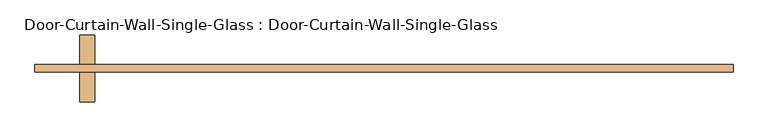
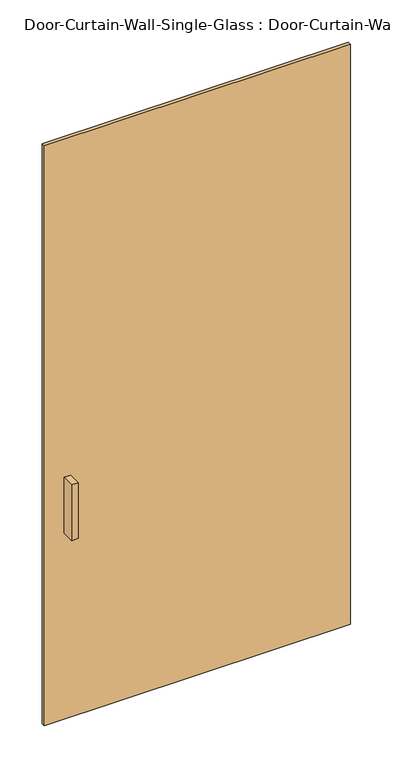
"""IFC4 building model written with IfcOpenShell, lengths in millimetres: door geometry, Door-Curtain-Wall-Single-Glass : Door-Curtain-Wall-Single-Glass."""

from ifc_helpers import new_model, si_unit, frame, origin, origin_with_axes, place, context, project, spatial, polyline, outline, extrude, source, transform, mapped, element, save


def door_curtain_wall_single_glass_door_curtain_wall_single_8edbc01f(model_context):
    return source(origin(), model_context, "Body", "SweptSolid", [
        extrude(outline(polyline([(593.725, -50.8), (-593.725, -50.8), (-593.725, -38.1), (593.725, -38.1), (593.725, -50.8)])), origin_with_axes(), (0.0, 0.0, 1.0), 2374.9),
        extrude(outline(polyline([(-492.125, 12.7), (-492.125, -38.1), (-517.525, -38.1), (-517.525, 12.7), (-492.125, 12.7)])), frame((0.0, 0.0, 762.0), z_axis=(0.0, 0.0, 1.0), x_axis=(1.0, 0.0, 0.0)), (0.0, 0.0, 1.0), 228.6),
        extrude(outline(polyline([(-517.525, -101.6), (-517.525, -50.8), (-492.125, -50.8), (-492.125, -101.6), (-517.525, -101.6)])), frame((0.0, 0.0, 762.0), z_axis=(0.0, 0.0, 1.0), x_axis=(1.0, 0.0, 0.0)), (0.0, 0.0, 1.0), 228.6),
    ])


if __name__ == "__main__":
    model = new_model("IFC4")
    model_context = context("Model", 3, world=origin())
    ifc_project = project(units=[si_unit("LENGTHUNIT", "METRE", prefix="MILLI")], contexts=[model_context])
    site = spatial("IfcSite", under=ifc_project)
    building = spatial("IfcBuilding", under=site)
    placement = place(None, origin())
    door_curtain_wall_single_glass_door_curtain_wall_single_shape = door_curtain_wall_single_glass_door_curtain_wall_single_8edbc01f(model_context)
    element("IfcDoor", 1, ObjectType="Door-Curtain-Wall-Single-Glass : Door-Curtain-Wall-Single-Glass", at=placement, inside=building, context=model_context, shape_type="MappedRepresentation", body=[
        mapped(door_curtain_wall_single_glass_door_curtain_wall_single_shape, transform((0.0, 0.0, 0.0), x_axis=(1.0, 0.0, 0.0), y_axis=(0.0, 1.0, 0.0), z_axis=(0.0, 0.0, 1.0))),
    ])
    save(model, "model.ifc")
